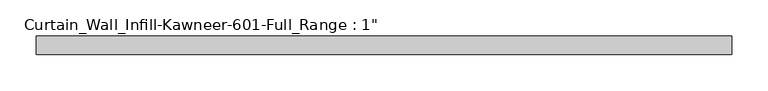
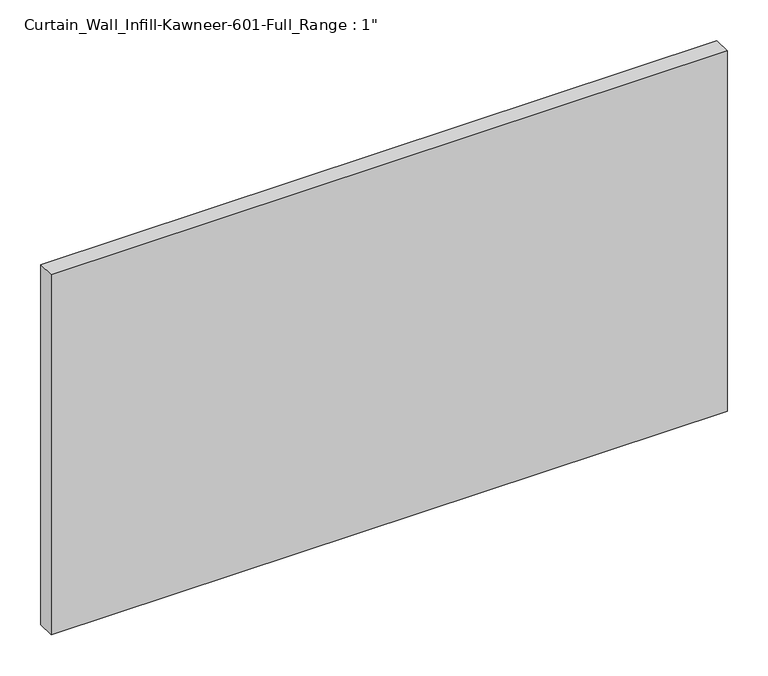
"""IFC4 building model written with IfcOpenShell, lengths in millimetres: plate geometry."""

from ifc_helpers import new_model, si_unit, origin, origin_with_axes, place, context, project, spatial, polyline, outline, extrude, source, transform, mapped, element, save


def plate_100eb5fb(model_context):
    return source(origin(), model_context, "Body", "SweptSolid", [
        extrude(outline(polyline([(-479.425, 12.7), (479.425, 12.7), (479.425, -12.7), (-479.425, -12.7), (-479.425, 12.7)])), origin_with_axes(), (0.0, 0.0, 1.0), 539.75),
    ])


if __name__ == "__main__":
    model = new_model("IFC4")
    model_context = context("Model", 3, world=origin())
    ifc_project = project(units=[si_unit("LENGTHUNIT", "METRE", prefix="MILLI")], contexts=[model_context])
    site = spatial("IfcSite", under=ifc_project)
    building = spatial("IfcBuilding", under=site)
    placement = place(None, origin())
    plate_shape = plate_100eb5fb(model_context)
    element("IfcPlate", 1, ObjectType="Curtain_Wall_Infill-Kawneer-601-Full_Range : 1\"", at=placement, inside=building, context=model_context, shape_type="MappedRepresentation", body=[
        mapped(plate_shape, transform((0.0, 0.0, 0.0), x_axis=(1.0, 0.0, 0.0), y_axis=(0.0, 1.0, 0.0), z_axis=(0.0, 0.0, 1.0))),
    ])
    save(model, "model.ifc")
